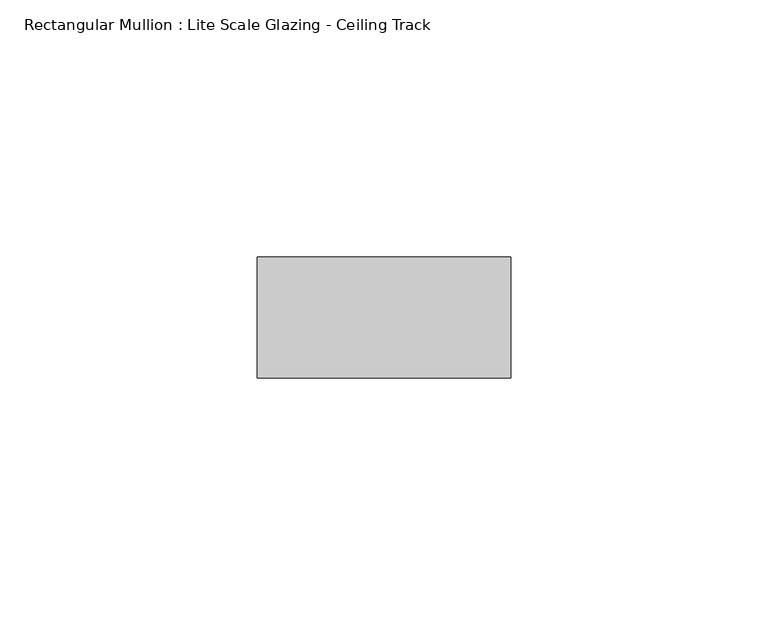
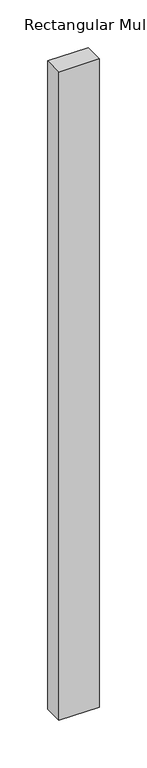
"""IFC4 building model written with IfcOpenShell, lengths in millimetres: member geometry, Rectangular Mullion : Lite Scale Glazing - Ceiling Track."""

from ifc_helpers import new_model, si_unit, frame, origin, place, context, project, spatial, polyline, outline, extrude, source, transform, mapped, element, save


def rectangular_mullion_lite_scale_glazing_ceiling_track_34dfff5b(model_context):
    return source(origin(), model_context, "Body", "SweptSolid", [
        extrude(outline(polyline([(-49.276, -11.7474999), (-49.276, 11.7474999), (0.0, 11.7474999), (0.0, -11.7474999), (-49.276, -11.7474999)])), frame((0.0, 0.0, -832.603699), z_axis=(0.0, 0.0, 1.0), x_axis=(1.0, 0.0, 0.0)), (0.0, 0.0, 1.0), 832.603699),
    ])


if __name__ == "__main__":
    model = new_model("IFC4")
    model_context = context("Model", 3, world=origin())
    ifc_project = project(units=[si_unit("LENGTHUNIT", "METRE", prefix="MILLI")], contexts=[model_context])
    site = spatial("IfcSite", under=ifc_project)
    building = spatial("IfcBuilding", under=site)
    placement = place(None, origin())
    rectangular_mullion_lite_scale_glazing_ceiling_track_shape = rectangular_mullion_lite_scale_glazing_ceiling_track_34dfff5b(model_context)
    element("IfcMember", 1, ObjectType="Rectangular Mullion : Lite Scale Glazing - Ceiling Track", at=placement, inside=building, context=model_context, shape_type="MappedRepresentation", body=[
        mapped(rectangular_mullion_lite_scale_glazing_ceiling_track_shape, transform((0.0, 0.0, 0.0), x_axis=(1.0, 0.0, 0.0), y_axis=(0.0, 1.0, 0.0), z_axis=(0.0, 0.0, 1.0))),
    ])
    save(model, "model.ifc")
